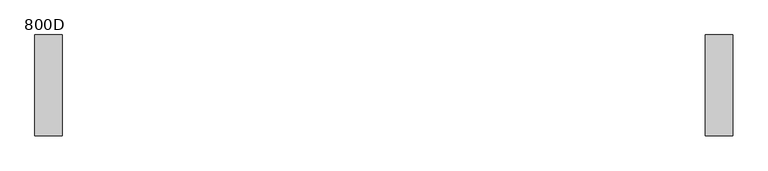
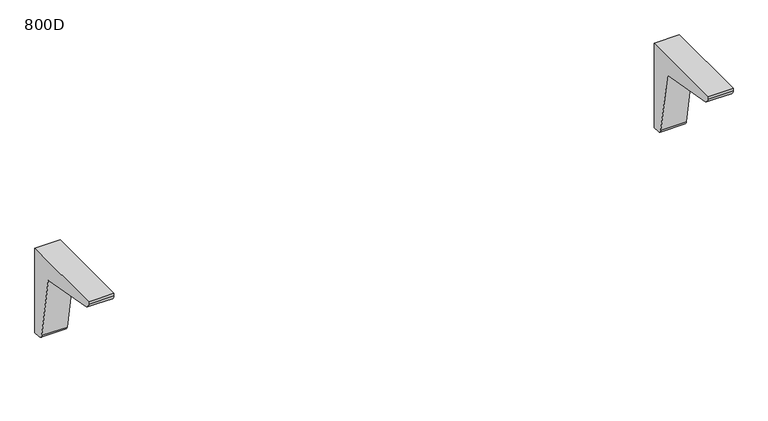
"""IFC4 building model written with IfcOpenShell, lengths in millimetres: furniture geometry, 800D."""

from ifc_helpers import new_model, si_unit, point, frame, frame_2d, origin, place, context, project, spatial, polyline, circle_curve, trimmed, segment, composite_curve, outline, extrude, source, transform, mapped, element, save


def furniture_800d_699571c7(model_context):
    return source(origin(), model_context, "Body", "SweptSolid", [
        extrude(outline(composite_curve([segment(polyline([(0.0, 176.0), (0.0, 0.0), (-13.6, 0.0)]), True, "CONTINUOUS"), segment(trimmed(circle_curve(frame_2d((-13.6, 10.0)), 10.0), [point((-13.6, 0.0))], [point((-23.4480775, 8.2635182))], False, "CARTESIAN"), True, "CONTINUOUS"), segment(polyline([(-23.4480775, 8.2635182), (-46.2755353, 137.7244647), (-175.7393463, 160.5524276)]), True, "CONTINUOUS"), segment(trimmed(circle_curve(frame_2d((-173.2638671, 171.0)), 10.7368416), [point((-175.7393463, 160.5524276))], [point((-184.0007087, 171.0))], False, "CARTESIAN"), True, "CONTINUOUS"), segment(polyline([(-184.0007087, 171.0), (-184.0007087, 176.0), (0.0, 176.0)]), True, "CONTINUOUS")], self_intersect=False)), frame((586.9, 0.0, 0.0), z_axis=(1.0, 0.0, 0.0), x_axis=(0.0, 1.0, 0.0)), (0.0, 0.0, 1.0), 50.0),
        extrude(outline(composite_curve([segment(polyline([(0.0, 176.0), (0.0, 0.0), (-13.6, 0.0)]), True, "CONTINUOUS"), segment(trimmed(circle_curve(frame_2d((-13.6, 10.0)), 10.0), [point((-13.6, 0.0))], [point((-23.4480775, 8.2635182))], False, "CARTESIAN"), True, "CONTINUOUS"), segment(polyline([(-23.4480775, 8.2635182), (-46.2755353, 137.7244647), (-175.7393463, 160.5524276)]), True, "CONTINUOUS"), segment(trimmed(circle_curve(frame_2d((-173.2638671, 171.0)), 10.7368416), [point((-175.7393463, 160.5524276))], [point((-184.0007087, 171.0))], False, "CARTESIAN"), True, "CONTINUOUS"), segment(polyline([(-184.0007087, 171.0), (-184.0007087, 176.0), (0.0, 176.0)]), True, "CONTINUOUS")], self_intersect=False)), frame((-636.9, 0.0, 0.0), z_axis=(1.0, 0.0, 0.0), x_axis=(0.0, 1.0, 0.0)), (0.0, 0.0, 1.0), 50.0),
    ])


if __name__ == "__main__":
    model = new_model("IFC4")
    model_context = context("Model", 3, world=origin())
    ifc_project = project(units=[si_unit("LENGTHUNIT", "METRE", prefix="MILLI")], contexts=[model_context])
    site = spatial("IfcSite", under=ifc_project)
    building = spatial("IfcBuilding", under=site)
    placement = place(None, origin())
    furniture_800d_shape = furniture_800d_699571c7(model_context)
    element("IfcFurniture", 1, ObjectType="800D", at=placement, inside=building, context=model_context, shape_type="MappedRepresentation", body=[
        mapped(furniture_800d_shape, transform((0.0, 0.0, 0.0), x_axis=(1.0, 0.0, 0.0), y_axis=(0.0, 1.0, 0.0), z_axis=(0.0, 0.0, 1.0))),
    ])
    save(model, "model.ifc")
